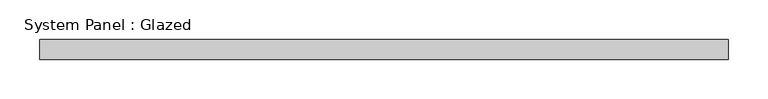
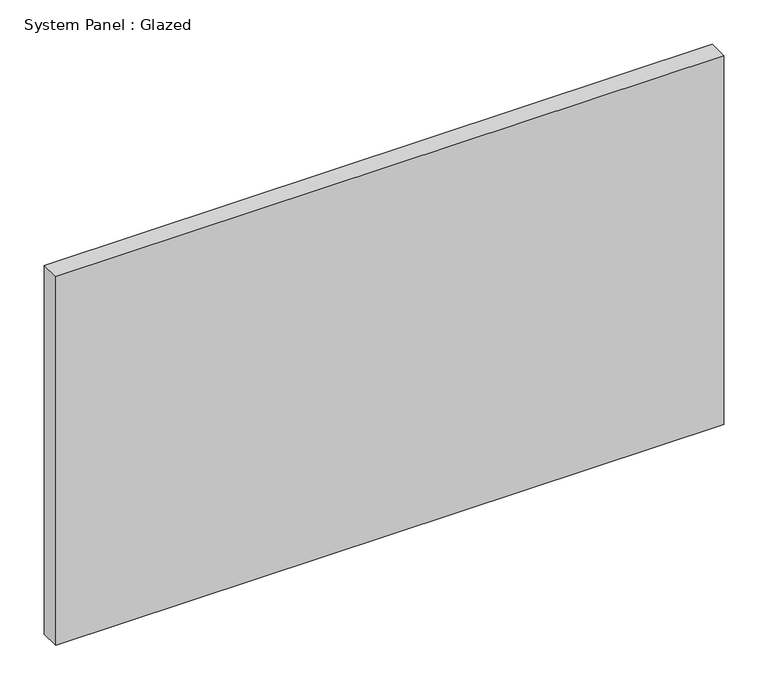
"""IFC4 building model written with IfcOpenShell, lengths in millimetres: plate geometry, System Panel : Glazed."""

from ifc_helpers import new_model, si_unit, origin, origin_with_axes, place, context, project, spatial, polyline, outline, extrude, source, transform, mapped, element, save


def system_panel_glazed_b457ad00(model_context):
    return source(origin(), model_context, "Body", "SweptSolid", [
        extrude(outline(polyline([(434.975, -12.7), (-434.975, -12.7), (-434.975, 12.7), (434.975, 12.7), (434.975, -12.7)])), origin_with_axes(), (0.0, 0.0, 1.0), 508.0),
    ])


if __name__ == "__main__":
    model = new_model("IFC4")
    model_context = context("Model", 3, world=origin())
    ifc_project = project(units=[si_unit("LENGTHUNIT", "METRE", prefix="MILLI")], contexts=[model_context])
    site = spatial("IfcSite", under=ifc_project)
    building = spatial("IfcBuilding", under=site)
    placement = place(None, origin())
    system_panel_glazed_shape = system_panel_glazed_b457ad00(model_context)
    element("IfcPlate", 1, ObjectType="System Panel : Glazed", at=placement, inside=building, context=model_context, shape_type="MappedRepresentation", body=[
        mapped(system_panel_glazed_shape, transform((0.0, 0.0, 0.0), x_axis=(1.0, 0.0, 0.0), y_axis=(0.0, 1.0, 0.0), z_axis=(0.0, 0.0, 1.0))),
    ])
    save(model, "model.ifc")
